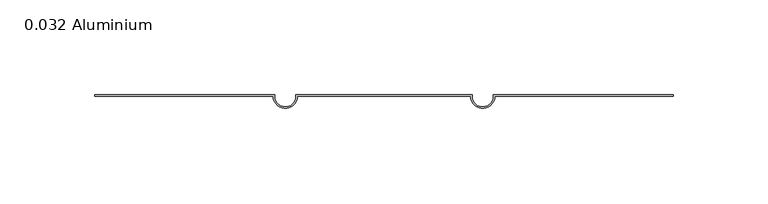
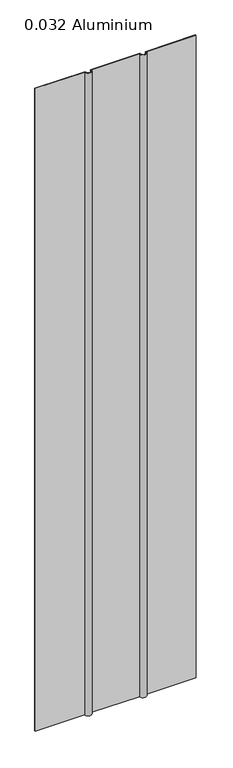
"""IFC4 building model written with IfcOpenShell, lengths in millimetres: plate geometry, 0.032 Aluminium."""

from ifc_helpers import new_model, si_unit, point, frame_2d, origin, origin_with_axes, place, context, project, spatial, polyline, circle_curve, trimmed, segment, composite_curve, outline, extrude, source, transform, mapped, element, save


def plate_0_032_aluminium_90081244(model_context):
    return source(origin(), model_context, "Body", "SweptSolid", [
        extrude(outline(composite_curve([segment(polyline([(-57.57418, 0.8128), (-57.57418, 0.0)]), True, "CONTINUOUS"), segment(trimmed(circle_curve(frame_2d((-52.03698, 0.0)), 5.5372), [point((-57.57418, 0.0))], [point((-46.49978, 0.0))], True, "CARTESIAN"), True, "CONTINUOUS"), segment(polyline([(-46.49978, 0.0), (-46.49978, 0.8128), (46.49978, 0.8128), (46.49978, 0.0)]), True, "CONTINUOUS"), segment(trimmed(circle_curve(frame_2d((52.03698, 0.0)), 5.5372), [point((46.49978, 0.0))], [point((57.57418, 0.0))], True, "CARTESIAN"), True, "CONTINUOUS"), segment(polyline([(57.57418, 0.0), (57.57418, 0.8128), (152.4, 0.8128), (152.4, 0.0), (58.38698, 0.0)]), True, "CONTINUOUS"), segment(trimmed(circle_curve(frame_2d((52.03698, 0.0)), 6.35), [point((58.38698, 0.0))], [point((45.68698, 0.0))], False, "CARTESIAN"), True, "CONTINUOUS"), segment(polyline([(45.68698, 0.0), (-45.68698, 0.0)]), True, "CONTINUOUS"), segment(trimmed(circle_curve(frame_2d((-52.03698, 0.0)), 6.35), [point((-45.68698, 0.0))], [point((-58.38698, 0.0))], False, "CARTESIAN"), True, "CONTINUOUS"), segment(polyline([(-58.38698, 0.0), (-152.4, 0.0), (-152.4, 0.8128), (-57.57418, 0.8128)]), True, "CONTINUOUS")], self_intersect=False)), origin_with_axes(), (0.0, 0.0, 1.0), 1285.875),
    ])


if __name__ == "__main__":
    model = new_model("IFC4")
    model_context = context("Model", 3, world=origin())
    ifc_project = project(units=[si_unit("LENGTHUNIT", "METRE", prefix="MILLI")], contexts=[model_context])
    site = spatial("IfcSite", under=ifc_project)
    building = spatial("IfcBuilding", under=site)
    placement = place(None, origin())
    plate_0_032_aluminium_shape = plate_0_032_aluminium_90081244(model_context)
    element("IfcPlate", 1, ObjectType="0.032 Aluminium", at=placement, inside=building, context=model_context, shape_type="MappedRepresentation", body=[
        mapped(plate_0_032_aluminium_shape, transform((0.0, 0.0, 0.0), x_axis=(1.0, 0.0, 0.0), y_axis=(0.0, 1.0, 0.0), z_axis=(0.0, 0.0, 1.0))),
    ])
    save(model, "model.ifc")
